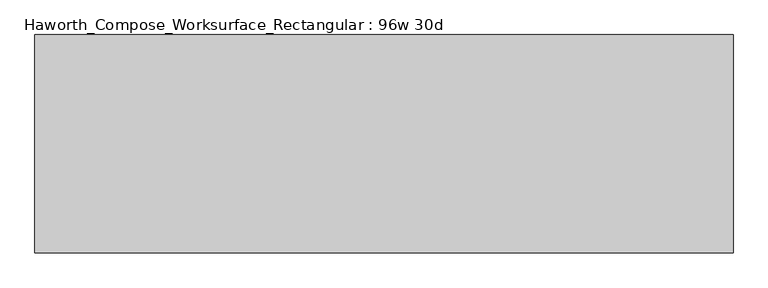
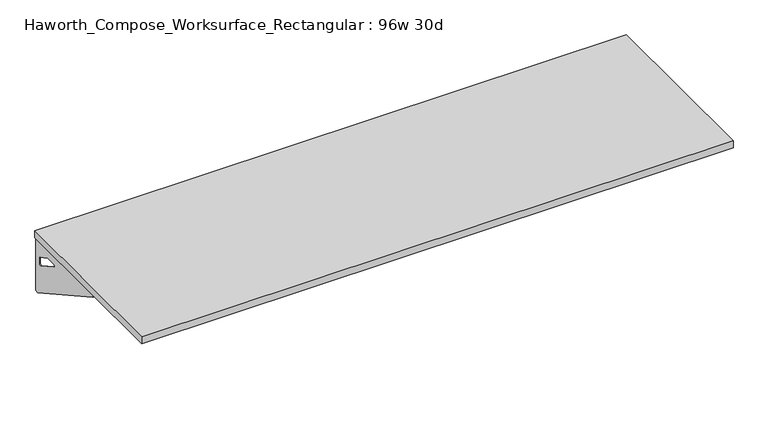
"""IFC4 building model written with IfcOpenShell, lengths in millimetres: furniture geometry, Haworth_Compose_Worksurface_Rectangular : 96w 30d."""

from ifc_helpers import new_model, si_unit, frame, origin, place, context, project, spatial, polyline, circle_curve, outline, extrude, source, transform, mapped, element, save
from ifc_brep_helpers import plane_surface, revolved_surface, advanced_brep


def haworth_compose_worksurface_rectangular_96w_30d_1ed157b9(model_context):
    return source(origin(), model_context, "Body", "SolidModel", [
        advanced_brep(
        [(1213.64375, 381.0, 475.45625), (1213.64375, 365.125, 475.45625), (1213.64375, -25.4, 691.7192568), (1213.64375, -25.4, 704.05625), (1213.64375, 365.125, 704.05625), (1213.64375, 381.0, 704.05625), (1213.64375, 297.690072, 665.95625), (1213.64375, 254.0355284, 665.95625), (1213.64375, 251.3564235, 656.3705539), (1213.64375, 343.0776173, 605.5776439), (1213.64375, 352.425, 611.1756969), (1213.64375, 352.425, 634.6860246), (1213.64375, 350.6730055, 637.5242776), (1213.64375, 300.7663437, 665.1613425), (1216.025, 381.0, 475.45625), (1216.025, 381.0, 704.05625), (1216.025, 365.125, 704.05625), (1216.025, 365.125, 706.4375), (1216.025, -25.4, 706.4375), (1216.025, -25.4, 691.7192568), (1216.025, 365.125, 475.45625), (1216.025, 297.690072, 665.95625), (1216.025, 300.7663437, 665.1613425), (1216.025, 350.6730055, 637.5242776), (1216.025, 352.425, 634.6860246), (1216.025, 352.425, 611.1756969), (1216.025, 343.0776173, 605.5776439), (1216.025, 251.3564235, 656.3705539), (1216.025, 254.0355284, 665.95625), (1174.75, -25.4, 706.4375), (1174.75, -25.4, 704.05625), (1174.75, 365.125, 704.05625), (1174.75, 365.125, 706.4375)],
        [
            (0, 1),
            (1, 2),
            (2, 3),
            (3, 4),
            (4, 5),
            (5, 0),
            (6, 7),
            (7, 8, circle_curve(frame((1213.64375, 254.0355284, 660.7890106), z_axis=(1.0, 0.0, 0.0), x_axis=(0.0, -1.0, 0.0)), 5.1672394)),
            (8, 9),
            (9, 10, circle_curve(frame((1213.64375, 346.075, 611.1756969), z_axis=(1.0, 0.0, 0.0), x_axis=(0.0, -1.0, 0.0)), 6.35)),
            (10, 11),
            (11, 12, circle_curve(frame((1213.64375, 349.25, 634.6860246), z_axis=(1.0, 0.0, 0.0), x_axis=(0.0, -1.0, 0.0)), 3.175)),
            (12, 13),
            (13, 6, circle_curve(frame((1213.64375, 297.690072, 659.60625), z_axis=(1.0, 0.0, 0.0), x_axis=(0.0, -1.0, 0.0)), 6.35)),
            (14, 15),
            (15, 16),
            (16, 17),
            (17, 18),
            (18, 19),
            (19, 20),
            (20, 14),
            (21, 22, circle_curve(frame((1216.025, 297.690072, 659.60625), z_axis=(-1.0, 0.0, 0.0), x_axis=(0.0, -1.0, 0.0)), 6.35)),
            (22, 23),
            (23, 24, circle_curve(frame((1216.025, 349.25, 634.6860246), z_axis=(-1.0, 0.0, 0.0), x_axis=(0.0, -1.0, 0.0)), 3.175)),
            (24, 25),
            (25, 26, circle_curve(frame((1216.025, 346.075, 611.1756969), z_axis=(-1.0, 0.0, 0.0), x_axis=(0.0, -1.0, 0.0)), 6.35)),
            (26, 27),
            (27, 28, circle_curve(frame((1216.025, 254.0355284, 660.7890106), z_axis=(-1.0, 0.0, 0.0), x_axis=(0.0, -1.0, 0.0)), 5.1672394)),
            (28, 21),
            (4, 16),
            (15, 5),
            (14, 0),
            (20, 1),
            (19, 2),
            (18, 29),
            (29, 30),
            (30, 3),
            (6, 21),
            (28, 7),
            (9, 26),
            (25, 10),
            (24, 11),
            (23, 12),
            (27, 8),
            (31, 4),
            (30, 31),
            (32, 29),
            (17, 32),
            (31, 32),
            (22, 13),
        ],
        [
            plane_surface(frame((1213.64375, 381.0, 475.45625), z_axis=(-1.0, 0.0, 0.0), x_axis=(0.0, 1.0, 0.0))),
            plane_surface(frame((1216.025, 381.0, 475.45625), z_axis=(1.0, 0.0, 0.0), x_axis=(0.0, -1.0, 0.0))),
            plane_surface(frame((1216.025, -25.4, 704.05625), z_axis=(0.0, 0.0, 1.0), x_axis=(-1.0, 0.0, 0.0))),
            plane_surface(frame((1216.025, 381.0, 704.05625), z_axis=(0.0, 1.0, 0.0), x_axis=(-1.0, 0.0, 0.0))),
            plane_surface(frame((1216.025, 381.0, 475.45625), z_axis=(0.0, 0.0, -1.0), x_axis=(-1.0, 0.0, 0.0))),
            plane_surface(frame((1216.025, 365.125, 475.45625), z_axis=(0.0, -0.48445223513455843, -0.8748177135112952), x_axis=(-1.0, 0.0, 0.0))),
            plane_surface(frame((1216.025, -25.4, 691.7192568), z_axis=(0.0, -1.0, 0.0), x_axis=(-1.0, 0.0, 0.0))),
            plane_surface(frame((1216.025, 297.690072, 665.95625), z_axis=(0.0, 0.0, -1.0), x_axis=(-1.0, 0.0, 0.0))),
            revolved_surface(polyline([(1213.64375, 339.72499999999997, 611.1756969), (1216.025, 339.72499999999997, 611.1756969)]), (1216.025, 346.075, 611.1756969), (-1.0, 0.0, 0.0)),
            plane_surface(frame((1216.025, 352.425, 611.1756969), z_axis=(0.0, -1.0, 0.0), x_axis=(-1.0, 0.0, 0.0))),
            revolved_surface(polyline([(1213.64375, 346.075, 634.6860246), (1216.025, 346.075, 634.6860246)]), (1216.025, 349.25, 634.6860246), (-1.0, 0.0, 0.0)),
            revolved_surface(polyline([(1213.64375, 248.868289, 660.7890106), (1216.025, 248.868289, 660.7890106)]), (1216.025, 254.0355284, 660.7890106), (-1.0, 0.0, 0.0)),
            plane_surface(frame((1216.025, 365.125, 704.05625), z_axis=(0.0, 0.0, -1.0), x_axis=(-1.0, 0.0, 0.0))),
            plane_surface(frame((1216.025, 365.125, 706.4375), z_axis=(0.0, 0.0, 1.0), x_axis=(1.0, 0.0, 0.0))),
            plane_surface(frame((1174.75, 365.125, 706.4375), z_axis=(0.0, 1.0, 0.0), x_axis=(0.0, 0.0, -1.0))),
            plane_surface(frame((1174.75, -25.4, 706.4375), z_axis=(-1.0, 0.0, 0.0), x_axis=(0.0, 0.0, -1.0))),
            plane_surface(frame((1216.025, 251.3564235, 656.3705539), z_axis=(0.0, 0.4844522351345583, 0.8748177135112953), x_axis=(-1.0, 0.0, 0.0))),
            plane_surface(frame((1216.025, 350.6730055, 637.5242776), z_axis=(0.0, -0.4844522351345582, -0.8748177135112953), x_axis=(-1.0, 0.0, 0.0))),
            revolved_surface(polyline([(1213.64375, 291.34007199999996, 659.60625), (1216.025, 291.34007199999996, 659.60625)]), (1216.025, 297.690072, 659.60625), (-1.0, 0.0, 0.0)),
        ],
        [
            (0, [[1, 2, 3, 4, 5, 6], [7, 8, 9, 10, 11, 12, 13, 14]]),
            (1, [[15, 16, 17, 18, 19, 20, 21], [22, 23, 24, 25, 26, 27, 28, 29]]),
            (2, [[-5, 30, -16, 31]]),
            (3, [[-31, -15, 32, -6]]),
            (4, [[-32, -21, 33, -1]]),
            (5, [[-33, -20, 34, -2]]),
            (6, [[-34, -19, 35, 36, 37, -3]]),
            (7, [[38, -29, 39, -7]]),
            (8, [[40, -26, 41, -10]]),
            (9, [[-41, -25, 42, -11]]),
            (10, [[-42, -24, 43, -12]]),
            (11, [[-39, -28, 44, -8]]),
            (12, [[45, -4, -37, 46]]),
            (13, [[47, -35, -18, 48]]),
            (14, [[-17, -30, -45, 49, -48]]),
            (15, [[-36, -47, -49, -46]]),
            (16, [[-44, -27, -40, -9]]),
            (17, [[-43, -23, 50, -13]]),
            (18, [[-50, -22, -38, -14]]),
        ],
    ),
        advanced_brep(
        [(-1213.64375, 381.0, 475.45625), (-1213.64375, 381.0, 704.05625), (-1213.64375, 365.125, 704.05625), (-1213.64375, -25.4, 704.05625), (-1213.64375, -25.4, 691.7192568), (-1213.64375, 365.125, 475.45625), (-1213.64375, 297.690072, 665.95625), (-1213.64375, 300.7663437, 665.1613425), (-1213.64375, 350.6730055, 637.5242776), (-1213.64375, 352.425, 634.6860246), (-1213.64375, 352.425, 611.1756969), (-1213.64375, 343.0776173, 605.5776439), (-1213.64375, 251.3564235, 656.3705539), (-1213.64375, 254.0355284, 665.95625), (-1216.025, 381.0, 475.45625), (-1216.025, 365.125, 475.45625), (-1216.025, -25.4, 691.7192568), (-1216.025, -25.4, 706.4375), (-1216.025, 365.125, 706.4375), (-1216.025, 365.125, 704.05625), (-1216.025, 381.0, 704.05625), (-1216.025, 297.690072, 665.95625), (-1216.025, 254.0355284, 665.95625), (-1216.025, 251.3564235, 656.3705539), (-1216.025, 343.0776173, 605.5776439), (-1216.025, 352.425, 611.1756969), (-1216.025, 352.425, 634.6860246), (-1216.025, 350.6730055, 637.5242776), (-1216.025, 300.7663437, 665.1613425), (-1174.75, -25.4, 704.05625), (-1174.75, -25.4, 706.4375), (-1174.75, 365.125, 704.05625), (-1174.75, 365.125, 706.4375)],
        [
            (0, 1),
            (1, 2),
            (2, 3),
            (3, 4),
            (4, 5),
            (5, 0),
            (6, 7, circle_curve(frame((-1213.64375, 297.690072, 659.60625), z_axis=(-1.0, 0.0, 0.0), x_axis=(0.0, -1.0, 0.0)), 6.35)),
            (7, 8),
            (8, 9, circle_curve(frame((-1213.64375, 349.25, 634.6860246), z_axis=(-1.0, 0.0, 0.0), x_axis=(0.0, -1.0, 0.0)), 3.175)),
            (9, 10),
            (10, 11, circle_curve(frame((-1213.64375, 346.075, 611.1756969), z_axis=(-1.0, 0.0, 0.0), x_axis=(0.0, -1.0, 0.0)), 6.35)),
            (11, 12),
            (12, 13, circle_curve(frame((-1213.64375, 254.0355284, 660.7890106), z_axis=(-1.0, 0.0, 0.0), x_axis=(0.0, -1.0, 0.0)), 5.1672394)),
            (13, 6),
            (14, 15),
            (15, 16),
            (16, 17),
            (17, 18),
            (18, 19),
            (19, 20),
            (20, 14),
            (21, 22),
            (22, 23, circle_curve(frame((-1216.025, 254.0355284, 660.7890106), z_axis=(1.0, 0.0, 0.0), x_axis=(0.0, -1.0, 0.0)), 5.1672394)),
            (23, 24),
            (24, 25, circle_curve(frame((-1216.025, 346.075, 611.1756969), z_axis=(1.0, 0.0, 0.0), x_axis=(0.0, -1.0, 0.0)), 6.35)),
            (25, 26),
            (26, 27, circle_curve(frame((-1216.025, 349.25, 634.6860246), z_axis=(1.0, 0.0, 0.0), x_axis=(0.0, -1.0, 0.0)), 3.175)),
            (27, 28),
            (28, 21, circle_curve(frame((-1216.025, 297.690072, 659.60625), z_axis=(1.0, 0.0, 0.0), x_axis=(0.0, -1.0, 0.0)), 6.35)),
            (1, 20),
            (19, 2),
            (0, 14),
            (5, 15),
            (4, 16),
            (3, 29),
            (29, 30),
            (30, 17),
            (13, 22),
            (21, 6),
            (10, 25),
            (24, 11),
            (9, 26),
            (8, 27),
            (12, 23),
            (31, 29),
            (2, 31),
            (32, 18),
            (30, 32),
            (32, 31),
            (7, 28),
        ],
        [
            plane_surface(frame((-1213.64375, 381.0, 475.45625), z_axis=(1.0, 0.0, 0.0), x_axis=(0.0, 1.0, 0.0))),
            plane_surface(frame((-1216.025, 381.0, 475.45625), z_axis=(-1.0, 0.0, 0.0), x_axis=(0.0, -1.0, 0.0))),
            plane_surface(frame((-1216.025, -25.4, 704.05625), z_axis=(0.0, 0.0, 1.0), x_axis=(1.0, 0.0, 0.0))),
            plane_surface(frame((-1216.025, 381.0, 704.05625), z_axis=(0.0, 1.0, 0.0), x_axis=(1.0, 0.0, 0.0))),
            plane_surface(frame((-1216.025, 381.0, 475.45625), z_axis=(0.0, 0.0, -1.0), x_axis=(1.0, 0.0, 0.0))),
            plane_surface(frame((-1216.025, 365.125, 475.45625), z_axis=(0.0, -0.48445223513455843, -0.8748177135112952), x_axis=(1.0, 0.0, 0.0))),
            plane_surface(frame((-1216.025, -25.4, 691.7192568), z_axis=(0.0, -1.0, 0.0), x_axis=(1.0, 0.0, 0.0))),
            plane_surface(frame((-1216.025, 297.690072, 665.95625), z_axis=(0.0, 0.0, -1.0), x_axis=(1.0, 0.0, 0.0))),
            revolved_surface(polyline([(-1213.64375, 339.72499999999997, 611.1756969), (-1216.025, 339.72499999999997, 611.1756969)]), (-1216.025, 346.075, 611.1756969), (1.0, 0.0, 0.0)),
            plane_surface(frame((-1216.025, 352.425, 611.1756969), z_axis=(0.0, -1.0, 0.0), x_axis=(1.0, 0.0, 0.0))),
            revolved_surface(polyline([(-1213.64375, 346.075, 634.6860246), (-1216.025, 346.075, 634.6860246)]), (-1216.025, 349.25, 634.6860246), (1.0, 0.0, 0.0)),
            revolved_surface(polyline([(-1213.64375, 248.868289, 660.7890106), (-1216.025, 248.868289, 660.7890106)]), (-1216.025, 254.0355284, 660.7890106), (1.0, 0.0, 0.0)),
            plane_surface(frame((-1216.025, 365.125, 704.05625), z_axis=(0.0, 0.0, -1.0), x_axis=(1.0, 0.0, 0.0))),
            plane_surface(frame((-1216.025, 365.125, 706.4375), z_axis=(0.0, 0.0, 1.0), x_axis=(-1.0, 0.0, 0.0))),
            plane_surface(frame((-1174.75, 365.125, 706.4375), z_axis=(0.0, 1.0, 0.0), x_axis=(0.0, 0.0, -1.0))),
            plane_surface(frame((-1174.75, -25.4, 706.4375), z_axis=(1.0, 0.0, 0.0), x_axis=(0.0, 0.0, -1.0))),
            plane_surface(frame((-1216.025, 251.3564235, 656.3705539), z_axis=(0.0, 0.4844522351345583, 0.8748177135112953), x_axis=(1.0, 0.0, 0.0))),
            plane_surface(frame((-1216.025, 350.6730055, 637.5242776), z_axis=(0.0, -0.4844522351345582, -0.8748177135112953), x_axis=(1.0, 0.0, 0.0))),
            revolved_surface(polyline([(-1213.64375, 291.34007199999996, 659.60625), (-1216.025, 291.34007199999996, 659.60625)]), (-1216.025, 297.690072, 659.60625), (1.0, 0.0, 0.0)),
        ],
        [
            (0, [[1, 2, 3, 4, 5, 6], [7, 8, 9, 10, 11, 12, 13, 14]]),
            (1, [[15, 16, 17, 18, 19, 20, 21], [22, 23, 24, 25, 26, 27, 28, 29]]),
            (2, [[30, -20, 31, -2]]),
            (3, [[-1, 32, -21, -30]]),
            (4, [[-6, 33, -15, -32]]),
            (5, [[-5, 34, -16, -33]]),
            (6, [[-4, 35, 36, 37, -17, -34]]),
            (7, [[-14, 38, -22, 39]]),
            (8, [[-11, 40, -25, 41]]),
            (9, [[-10, 42, -26, -40]]),
            (10, [[-9, 43, -27, -42]]),
            (11, [[-13, 44, -23, -38]]),
            (12, [[45, -35, -3, 46]]),
            (13, [[47, -18, -37, 48]]),
            (14, [[-47, 49, -46, -31, -19]]),
            (15, [[-45, -49, -48, -36]]),
            (16, [[-12, -41, -24, -44]]),
            (17, [[-8, 50, -28, -43]]),
            (18, [[-7, -39, -29, -50]]),
        ],
    ),
        extrude(outline(polyline([(1219.2, 381.0), (1219.2, -381.0), (-1219.2, -381.0), (-1219.2, 381.0), (1219.2, 381.0)])), frame((0.0, 0.0, 706.4375), z_axis=(0.0, 0.0, 1.0), x_axis=(1.0, 0.0, 0.0)), (0.0, 0.0, 1.0), 30.1625),
    ])


if __name__ == "__main__":
    model = new_model("IFC4")
    model_context = context("Model", 3, world=origin())
    ifc_project = project(units=[si_unit("LENGTHUNIT", "METRE", prefix="MILLI")], contexts=[model_context])
    site = spatial("IfcSite", under=ifc_project)
    building = spatial("IfcBuilding", under=site)
    placement = place(None, origin())
    haworth_compose_worksurface_rectangular_96w_30d_shape = haworth_compose_worksurface_rectangular_96w_30d_1ed157b9(model_context)
    element("IfcFurniture", 1, ObjectType="Haworth_Compose_Worksurface_Rectangular : 96w 30d", at=placement, inside=building, context=model_context, shape_type="MappedRepresentation", body=[
        mapped(haworth_compose_worksurface_rectangular_96w_30d_shape, transform((0.0, 0.0, 0.0), x_axis=(1.0, 0.0, 0.0), y_axis=(0.0, 1.0, 0.0), z_axis=(0.0, 0.0, 1.0))),
    ])
    save(model, "model.ifc")
